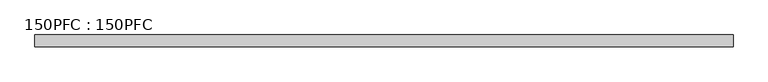
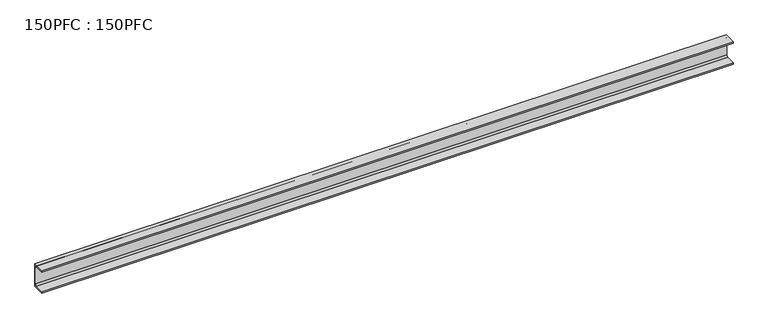
"""IFC4 building model written with IfcOpenShell, lengths in millimetres: beam geometry, 150PFC : 150PFC."""

from ifc_helpers import new_model, si_unit, point, frame, frame_2d, origin, place, context, project, spatial, polyline, circle_curve, trimmed, segment, composite_curve, outline, extrude, source, transform, mapped, element, save


def beam_150pfc_150pfc_e048cc23(model_context):
    return source(origin(), model_context, "Body", "SweptSolid", [
        extrude(outline(composite_curve([segment(polyline([(21.6471313, 65.0), (-37.3528687, 65.0), (-37.3528687, 74.5), (37.6471313, 74.5), (37.6471313, -75.5), (-37.3528687, -75.5), (-37.3528687, -66.0), (21.6471313, -66.0)]), True, "CONTINUOUS"), segment(trimmed(circle_curve(frame_2d((21.6471313, -56.0)), 10.0), [point((21.6471313, -66.0))], [point((31.6471313, -56.0))], True, "CARTESIAN"), True, "CONTINUOUS"), segment(polyline([(31.6471313, -56.0), (31.6471313, 55.0)]), True, "CONTINUOUS"), segment(trimmed(circle_curve(frame_2d((21.6471313, 55.0)), 10.0), [point((31.6471313, 55.0))], [point((21.6471313, 65.0))], True, "CARTESIAN"), True, "CONTINUOUS")], self_intersect=False)), frame((-2224.8, 0.0, 0.0), z_axis=(1.0, 0.0, 0.0), x_axis=(0.0, 1.0, 0.0)), (0.0, 0.0, 1.0), 4374.6),
    ])


if __name__ == "__main__":
    model = new_model("IFC4")
    model_context = context("Model", 3, world=origin())
    ifc_project = project(units=[si_unit("LENGTHUNIT", "METRE", prefix="MILLI")], contexts=[model_context])
    site = spatial("IfcSite", under=ifc_project)
    building = spatial("IfcBuilding", under=site)
    placement = place(None, origin())
    beam_150pfc_150pfc_shape = beam_150pfc_150pfc_e048cc23(model_context)
    element("IfcBeam", 1, ObjectType="150PFC : 150PFC", at=placement, inside=building, context=model_context, shape_type="MappedRepresentation", body=[
        mapped(beam_150pfc_150pfc_shape, transform((0.0, 0.0, 0.0), x_axis=(1.0, 0.0, 0.0), y_axis=(0.0, 1.0, 0.0), z_axis=(0.0, 0.0, 1.0))),
    ])
    save(model, "model.ifc")
